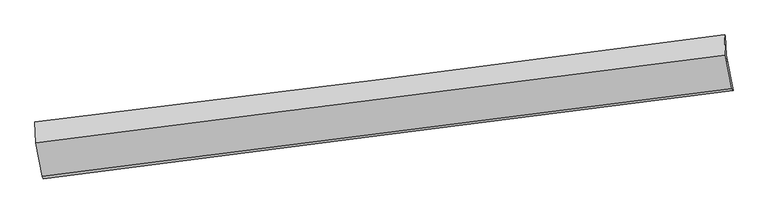
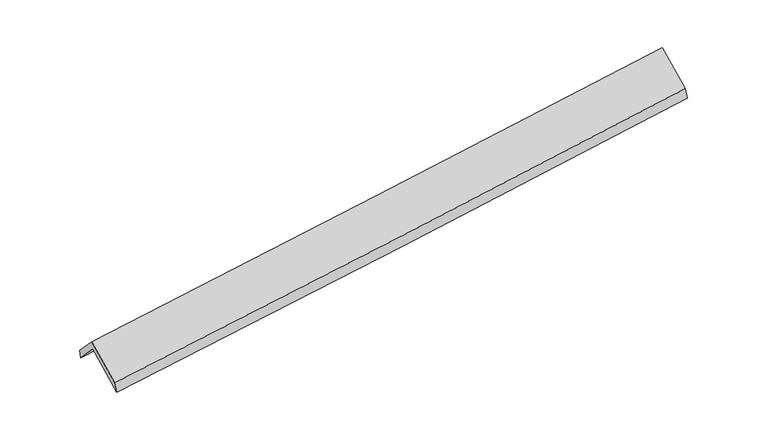
"""IFC4 building model written with IfcOpenShell, lengths in millimetres: proxy geometry."""

import ifcopenshell
import ifcopenshell.guid

model = None  # the IFC model being written
_history = None  # IfcOwnerHistory: only IFC2X3 demands one
_inside = {}  # id of a spatial element -> (the spatial element, [elements in it])
_under = {}  # id of a project, library or spatial element -> (it, [spatial elements below it])
_declared = {}  # id of a project -> (the project, [libraries it declares])
_typed = {}  # id of a type object -> (the type object, [elements of that type])
_made_of = {}  # id of a material, layer set ... -> (it, [elements and type objects made of it])


def new_model(schema):
    """Start an empty IFC model of exactly this schema.

    Asked for "IFC4X3", IfcOpenShell would pick the latest addendum, in which some entities
    have other attributes; the version numbers below select the first issue.
    IFC2X3 requires an IfcOwnerHistory on every rooted entity: one is made here for all.
    """
    global model, _history
    if schema == "IFC4X3":
        model = ifcopenshell.file(schema_version=(4, 3, 0, 0))
    else:
        model = ifcopenshell.file(schema=schema)
    _inside.clear()
    _under.clear()
    _declared.clear()
    _typed.clear()
    _made_of.clear()
    _history = None
    if model.schema == "IFC2X3":
        org = make("IfcOrganization", Name="unknown")
        user = make(
            "IfcPersonAndOrganization",
            ThePerson=make("IfcPerson", FamilyName="unknown"),
            TheOrganization=org,
        )
        app = make(
            "IfcApplication",
            ApplicationDeveloper=org,
            Version="unknown",
            ApplicationFullName="unknown",
            ApplicationIdentifier="unknown",
        )
        _history = make(
            "IfcOwnerHistory",
            OwningUser=user,
            OwningApplication=app,
            ChangeAction="ADDED",
            CreationDate=0,
        )
    return model


def make(cls, **values):
    """One entity of the class cls with the attributes given. An attribute that is None is left unset."""
    return model.create_entity(
        cls, **{name: value for name, value in values.items() if value is not None}
    )


def rooted(cls, **values):
    """An entity with a GlobalId (a new one), such as an element, a storey or a relation."""
    return make(cls, GlobalId=ifcopenshell.guid.new(), OwnerHistory=_history, **values)


def si_unit(unit_type, name, prefix=None):
    """IfcSIUnit, for example si_unit("LENGTHUNIT", "METRE", prefix="MILLI")."""
    return make("IfcSIUnit", UnitType=unit_type, Prefix=prefix, Name=name)


def assignment(units):
    """IfcUnitAssignment: the units of a project."""
    return None if units is None else make("IfcUnitAssignment", Units=units)


def point(xyz):
    """IfcCartesianPoint."""
    return None if xyz is None else make("IfcCartesianPoint", Coordinates=xyz)


def direction(xyz):
    """IfcDirection."""
    return None if xyz is None else make("IfcDirection", DirectionRatios=xyz)


def frame(location, z_axis=None, x_axis=None):
    """IfcAxis2Placement3D, a coordinate frame: its origin and axes. An axis left out is left unset."""
    return make(
        "IfcAxis2Placement3D",
        Location=point(location),
        Axis=direction(z_axis),
        RefDirection=direction(x_axis),
    )


def origin():
    """The frame at (0, 0, 0) with its axes left unset."""
    return frame((0.0, 0.0, 0.0))


def place(relative_to, where):
    """IfcLocalPlacement: puts the frame where relative to a parent placement (None: the world)."""
    return make(
        "IfcLocalPlacement", PlacementRelTo=relative_to, RelativePlacement=where
    )


def context(
    kind, dimensions, precision=None, world=None, true_north=None, identifier=None
):
    """IfcGeometricRepresentationContext, for example the 3D "Model" context."""
    return make(
        "IfcGeometricRepresentationContext",
        ContextIdentifier=identifier,
        ContextType=kind,
        CoordinateSpaceDimension=dimensions,
        Precision=precision,
        WorldCoordinateSystem=world,
        TrueNorth=true_north,
    )


def project(units=None, contexts=None):
    """IfcProject with its units and contexts."""
    return rooted(
        "IfcProject",
        Name="project",
        RepresentationContexts=contexts,
        UnitsInContext=assignment(units),
    )


def spatial(cls, under=None, at=None, **own):
    """A site, building, storey or space (cls), placed at a placement, below another one or the project."""
    s = rooted(cls, ObjectPlacement=at, **own)
    if under is not None:
        _under.setdefault(under.id(), (under, []))[1].append(s)
    return s


def shape(context_of_items, identifier, shape_type, items):
    """IfcShapeRepresentation: the items that make up one representation, for example the "Body"."""
    return make(
        "IfcShapeRepresentation",
        ContextOfItems=context_of_items,
        RepresentationIdentifier=identifier,
        RepresentationType=shape_type,
        Items=items,
    )


def source(mapping_origin, context_of_items, identifier, shape_type, items):
    """IfcRepresentationMap: a shape defined once, which mapped items show again and again."""
    return make(
        "IfcRepresentationMap",
        MappingOrigin=mapping_origin,
        MappedRepresentation=shape(context_of_items, identifier, shape_type, items),
    )


def transform(
    local_origin,
    x_axis=None,
    y_axis=None,
    z_axis=None,
    scale=None,
    scale2=None,
    scale3=None,
    uniform=True,
):
    """IfcCartesianTransformationOperator3D, or its non-uniform kind. x_axis, y_axis, z_axis: its Axis1, 2, 3."""
    if uniform:
        return make(
            "IfcCartesianTransformationOperator3D",
            Axis1=direction(x_axis),
            Axis2=direction(y_axis),
            LocalOrigin=point(local_origin),
            Scale=scale,
            Axis3=direction(z_axis),
        )
    return make(
        "IfcCartesianTransformationOperator3DnonUniform",
        Axis1=direction(x_axis),
        Axis2=direction(y_axis),
        LocalOrigin=point(local_origin),
        Scale=scale,
        Axis3=direction(z_axis),
        Scale2=scale2,
        Scale3=scale3,
    )


def mapped(mapping_source, mapping_target):
    """IfcMappedItem: shows the shape of a source again, moved by a transform."""
    return make(
        "IfcMappedItem", MappingSource=mapping_source, MappingTarget=mapping_target
    )


def made_of(thing, what):
    """Note that an element or type object is made of a material, layer set ...; save() writes the relation."""
    if what is not None:
        _made_of.setdefault(what.id(), (what, []))[1].append(thing)
    return thing


def element(
    cls,
    number,
    at=None,
    inside=None,
    cuts=None,
    type_object=None,
    material=None,
    context=None,
    identifier="Body",
    shape_type=None,
    held_by="IfcProductDefinitionShape",
    body=None,
    shapes=None,
    **own,
):
    """One element of the class cls, such as IfcWall. Its Tag is "e" and its number.

    at: its placement. inside: the storey or other place that contains it. cuts: it is an
    opening in that element (IfcRelVoidsElement). A single representation is given by context,
    identifier, shape_type and body (its items); several are given by shapes. held_by: the class
    of the entity that holds the representations. save() writes the other relations.
    """
    e = rooted(cls, Tag="e%d" % number, ObjectPlacement=at, **own)
    if body is not None:
        shapes = [shape(context, identifier, shape_type, body)]
    if shapes is not None:
        e.Representation = make(held_by, Representations=shapes)
    if inside is not None:
        _inside.setdefault(inside.id(), (inside, []))[1].append(e)
    if cuts is not None:
        rooted(
            "IfcRelVoidsElement", RelatingBuildingElement=cuts, RelatedOpeningElement=e
        )
    if type_object is not None:
        _typed.setdefault(type_object.id(), (type_object, []))[1].append(e)
    return made_of(e, material)


def aggregate(whole, parts):
    """IfcRelAggregates: a whole, such as a stair, and the parts it consists of."""
    return rooted("IfcRelAggregates", RelatingObject=whole, RelatedObjects=parts)


def save(model, path):
    """Write the relations noted so far, then the file.

    IfcRelAggregates (storeys below a building ...), IfcRelContainedInSpatialStructure (elements
    in a storey), IfcRelDefinesByType, IfcRelAssociatesMaterial and IfcRelDeclares: one each for
    every whole, place, type object, material and project.
    """
    for whole, parts in _under.values():
        aggregate(whole, parts)
    for where, things in _inside.values():
        rooted(
            "IfcRelContainedInSpatialStructure",
            RelatedElements=things,
            RelatingStructure=where,
        )
    for kind, things in _typed.values():
        rooted("IfcRelDefinesByType", RelatedObjects=things, RelatingType=kind)
    for what, things in _made_of.values():
        rooted("IfcRelAssociatesMaterial", RelatedObjects=things, RelatingMaterial=what)
    for by, libraries in _declared.values():
        rooted("IfcRelDeclares", RelatingContext=by, RelatedDefinitions=libraries)
    model.write(path)


def plane_surface(at):
    """IfcPlane: the flat surface through the origin of the frame at, square to its z axis."""
    return make("IfcPlane", Position=at)


def spline_curve(degree, points, multiplicities, knots, weights=None):
    """IfcBSplineCurveWithKnots; with weights, IfcRationalBSplineCurveWithKnots."""
    own = dict(
        Degree=degree,
        ControlPointsList=[point(p) for p in points],
        CurveForm="UNSPECIFIED",
        ClosedCurve=False,
        SelfIntersect=False,
        KnotMultiplicities=multiplicities,
        Knots=knots,
        KnotSpec="UNSPECIFIED",
    )
    if weights is None:
        return make("IfcBSplineCurveWithKnots", **own)
    return make("IfcRationalBSplineCurveWithKnots", WeightsData=weights, **own)


def spline_surface(u_degree, v_degree, points, u_multiplicities, v_multiplicities, u_knots, v_knots, weights=None):
    """IfcBSplineSurfaceWithKnots; with weights, IfcRationalBSplineSurfaceWithKnots. points: one row for each step in u."""
    own = dict(
        UDegree=u_degree,
        VDegree=v_degree,
        ControlPointsList=[[point(p) for p in row] for row in points],
        SurfaceForm="UNSPECIFIED",
        UClosed=False,
        VClosed=False,
        SelfIntersect=False,
        UMultiplicities=u_multiplicities,
        VMultiplicities=v_multiplicities,
        UKnots=u_knots,
        VKnots=v_knots,
        KnotSpec="UNSPECIFIED",
    )
    if weights is None:
        return make("IfcBSplineSurfaceWithKnots", **own)
    return make("IfcRationalBSplineSurfaceWithKnots", WeightsData=weights, **own)


def advanced_brep(points, edges, surfaces, faces):
    """IfcAdvancedBrep: a solid bounded by faces that lie on surfaces and meet in shared edges.

    An edge is (start, end): straight between two places in points (the first is 0);
    or (start, end, curve); or (start, end, curve, False) where it runs against its curve.
    A face is (place in surfaces, loops), or (place, loops, False) where it looks against
    its surface's normal. A loop lists edges by number (the first is 1), with a minus sign
    where the edge is run from its end to its start. The first loop is the outer one.
    """
    corners = [point(p) for p in points]
    vertices = [make("IfcVertexPoint", VertexGeometry=c) for c in corners]
    made = []
    for start, end, *more in edges:
        made.append(
            make(
                "IfcEdgeCurve",
                EdgeStart=vertices[start],
                EdgeEnd=vertices[end],
                EdgeGeometry=more[0] if more else make("IfcPolyline", Points=[corners[start], corners[end]]),
                SameSense=more[1] if len(more) > 1 else True,
            )
        )
    hull = []
    for where, loops, *sense in faces:
        bounds = []
        for j, loop in enumerate(loops):
            ring = [make("IfcOrientedEdge", EdgeElement=made[abs(k) - 1], Orientation=k > 0) for k in loop]
            bounds.append(
                make(
                    "IfcFaceOuterBound" if j == 0 else "IfcFaceBound",
                    Bound=make("IfcEdgeLoop", EdgeList=ring),
                    Orientation=True,
                )
            )
        hull.append(make("IfcAdvancedFace", Bounds=bounds, FaceSurface=surfaces[where], SameSense=sense[0] if sense else True))
    return make("IfcAdvancedBrep", Outer=make("IfcClosedShell", CfsFaces=hull))


def generic_models_32fc19ab(model_context):
    return source(origin(), model_context, "Body", "AdvancedBrep", [
        advanced_brep(
        [(-4754.9750759, -2195.6241455, 1791.1208256), (-4766.1355316, -1909.0619117, 1479.0526975), (4686.2654063, -711.3245303, 2227.2705099), (4696.8992099, -984.3641474, 2524.6124209), (-4776.2093239, -1899.9874631, 1593.3627069), (4676.191614, -702.2500818, 2341.5805194), (-4764.9111077, -2190.086915, 1909.2828884), (4686.9631781, -978.8269168, 2642.7744836), (-4674.9055941, -2647.8892314, 1485.6787293), (4776.9686918, -1436.6292333, 2219.1703245), (-4659.9433836, -2678.9915206, 1343.861336), (4791.9309022, -1467.7315225, 2077.3529312)],
        [
            (0, 1),
            (1, 2, spline_curve(3, [(-4766.1355316, -1909.0619117, 1479.0526975), (-3190.55267826, -1717.384015534, 1600.976265471), (-1615.559912605, -1521.799339512, 1724.249170527), (1535.24189727, -1122.563460398, 1973.651683499), (3111.049444519, -918.902341984, 2099.784716001), (4686.2654063, -711.3245303, 2227.2705099)], [4, 2, 4], [0.0, 15.668167045077741, 31.356202435292495])),
            (2, 3),
            (3, 0, spline_curve(3, [(4696.8992099, -984.3641474, 2524.6124209), (3121.419643629, -1185.173505251, 2389.755736921), (1545.524321588, -1386.580853887, 2261.168334505), (-1605.101493239, -1790.335700054, 2016.687006092), (-3179.830932804, -1992.681684354, 1900.777209525), (-4754.9750759, -2195.6241455, 1791.1208256)], [4, 2, 4], [0.0, 15.688035390214754, 31.356202435292495])),
            (1, 4),
            (4, 5, spline_curve(3, [(-4776.2093239, -1899.9874631, 1593.3627069), (-3200.626470819, -1708.30956682, 1715.286275221), (-1625.633705127, -1512.724891186, 1838.559179853), (1525.168104992, -1113.489011524, 2087.961692973), (3100.975652236, -909.827893379, 2214.094725709), (4676.191614, -702.2500818, 2341.5805194)], [4, 2, 4], [0.0, 15.668141183289215, 31.356150678920862])),
            (5, 2),
            (4, 6),
            (6, 7, spline_curve(3, [(-4764.9111077, -2190.086915, 1909.2828884), (-3189.766964604, -1987.144453854, 2018.939272325), (-1615.037524939, -1784.798469454, 2134.849068792), (1535.588289888, -1381.043623287, 2379.330397205), (3111.483611829, -1179.636274651, 2507.917799621), (4686.9631781, -978.8269168, 2642.7744836)], [4, 2, 4], [0.0, 15.668167045077734, 31.35620243529248])),
            (7, 5),
            (6, 8),
            (8, 9, spline_curve(3, [(-4674.9055941, -2647.8892314, 1485.6787293), (-3099.761451027, -2444.946770134, 1595.335112998), (-1525.032011023, -2242.600785939, 1711.244909713), (1625.593803171, -1838.845939602, 1955.726238084), (3201.489125624, -1637.43859119, 2084.313640209), (4776.9686918, -1436.6292333, 2219.1703245)], [4, 2, 4], [0.0, 15.668290964806078, 31.356450431888156])),
            (9, 7),
            (8, 10),
            (10, 11, spline_curve(3, [(-4659.9433836, -2678.9915206, 1343.861336), (-3084.799240527, -2476.049059334, 1453.517719698), (-1510.069800623, -2273.703075139, 1569.427516413), (1640.556013571, -1869.948228802, 1813.908844784), (3216.451336024, -1668.54088039, 1942.496246909), (4791.9309022, -1467.7315225, 2077.3529312)], [4, 2, 4], [0.0, 15.668290964806081, 31.356450431888163])),
            (11, 9),
            (10, 0),
            (3, 11),
        ],
        [
            spline_surface(3, 3, [[(-4754.9750759, -2195.6241455, 1791.1208256), (-3179.83093257, -1992.681684192, 1900.777209539), (-1605.101493006, -1790.335700183, 2016.687005889), (1545.524321355, -1386.580853758, 2261.168334708), (3121.419643698, -1185.173505098, 2389.75573683), (4696.8992099, -984.3641474, 2524.6124209)], [(-4758.69522778, -2100.103400889, 1687.098116209), (-3183.40484783, -1900.915794554, 1800.843561527), (-1608.587632939, -1700.823580007, 1919.207727413), (1542.096846668, -1298.575055934, 2165.329451029), (3117.962910568, -1096.416450787, 2293.098729972), (4693.354608676, -893.350941711, 2425.498450581)], [(-4762.41537972, -2004.582656311, 1583.075406891), (-3186.97876315, -1809.149904949, 1700.909913589), (-1612.073772784, -1611.311459815, 1821.728448885), (1538.669372068, -1210.569258096, 2069.490567297), (3114.50617751, -1007.659396444, 2196.44172307), (4689.810007524, -802.337735989, 2326.384480219)], [(-4766.1355316, -1909.0619117, 1479.0526975), (-3190.552678411, -1717.384015312, 1600.976265576), (-1615.559912716, -1521.799339639, 1724.249170409), (1535.241897381, -1122.563460272, 1973.651683617), (3111.049444381, -918.902342134, 2099.784716211), (4686.2654063, -711.3245303, 2227.2705099)]], [4, 4], [4, 2, 4], [0.0, 1.2920612037536126], [0.0, 15.668167045077741, 31.356202435292495]),
            spline_surface(3, 3, [[(-4766.1355316, -1909.0619117, 1479.0526975), (-3190.552678411, -1717.384015312, 1600.976265576), (-1615.559912716, -1521.799339639, 1724.249170409), (1535.241897381, -1122.563460272, 1973.651683617), (3111.049444381, -918.902342134, 2099.784716211), (4686.2654063, -711.3245303, 2227.2705099)], [(-4769.493462368, -1906.037095508, 1517.156033975), (-3193.910609179, -1714.35919912, 1639.079602052), (-1618.917843484, -1518.774523447, 1762.352506884), (1531.883966613, -1119.53864408, 2011.755020092), (3107.691513613, -915.877525942, 2137.888052686), (4682.907475532, -708.299714108, 2265.373846375)], [(-4772.851393132, -1903.012279292, 1555.259370425), (-3197.268539943, -1711.334382904, 1677.182938501), (-1622.275774348, -1515.74970723, 1800.455843334), (1528.526035749, -1116.513827864, 2049.858356541), (3104.333582849, -912.852709826, 2175.991389236), (4679.549544768, -705.274897992, 2303.477182925)], [(-4776.2093239, -1899.9874631, 1593.3627069), (-3200.626470711, -1708.309566712, 1715.286274976), (-1625.633705116, -1512.724891039, 1838.559179809), (1525.168104981, -1113.489011672, 2087.961693017), (3100.975652081, -909.827893634, 2214.094725711), (4676.191614, -702.2500818, 2341.5805194)]], [4, 4], [4, 2, 4], [0.0, 0.3776616567033332], [0.0, 15.668141183289215, 31.356150678920862]),
            spline_surface(3, 3, [[(-4776.2093239, -1899.9874631, 1593.3627069), (-3200.626470711, -1708.309566712, 1715.286274976), (-1625.633705116, -1512.724891039, 1838.559179809), (1525.168104981, -1113.489011672, 2087.961693017), (3100.975652081, -909.827893634, 2214.094725711), (4676.191614, -702.2500818, 2341.5805194)], [(-4772.443251844, -1996.687280373, 1698.669434055), (-3197.006635275, -1801.254529011, 1816.503940752), (-1622.101645008, -1603.416083877, 1937.322476049), (1528.641499844, -1202.673882158, 2185.08459446), (3104.478305386, -999.764020606, 2312.035750333), (4679.7821354, -794.442360151, 2441.978507482)], [(-4768.677179756, -2093.387097727, 1803.976161245), (-3193.386799806, -1894.199491393, 1917.721606563), (-1618.569584814, -1694.107276745, 2036.08577235), (1532.114894792, -1291.858752672, 2282.207495965), (3107.980958593, -1089.700147525, 2409.976774908), (4683.3726567, -886.634638449, 2542.376495518)], [(-4764.9111077, -2190.086915, 1909.2828884), (-3189.76696437, -1987.144453692, 2018.939272339), (-1615.037524706, -1784.798469583, 2134.849068589), (1535.588289655, -1381.043623158, 2379.330397408), (3111.483611898, -1179.636274498, 2507.91779953), (4686.9631781, -978.8269168, 2642.7744836)]], [4, 4], [4, 2, 4], [0.0, 1.3092251093588692], [0.0, 15.668167045077734, 31.35620243529248]),
            spline_surface(3, 3, [[(-4764.9111077, -2190.086915, 1909.2828884), (-3189.76696437, -1987.144453692, 2018.939272339), (-1615.037524706, -1784.798469583, 2134.849068589), (1535.588289655, -1381.043623158, 2379.330397408), (3111.483611898, -1179.636274498, 2507.91779953), (4686.9631781, -978.8269168, 2642.7744836)], [(-4734.909269827, -2342.687687155, 1768.08150205), (-3159.765126497, -2139.745225847, 1877.737885989), (-1585.035686833, -1937.399241738, 1993.647682239), (1565.590127527, -1533.644395312, 2238.129011058), (3141.485449771, -1332.237046652, 2366.71641318), (4716.965015973, -1131.427688955, 2501.57309725)], [(-4704.907431973, -2495.288459245, 1626.88011565), (-3129.763288642, -2292.345997937, 1736.536499589), (-1555.033848979, -2090.000013829, 1852.446295839), (1595.591965382, -1686.245167403, 2096.927624659), (3171.487287725, -1484.837818843, 2225.515026781), (4746.966853927, -1284.028461145, 2360.37171085)], [(-4674.9055941, -2647.8892314, 1485.6787293), (-3099.76145077, -2444.946770092, 1595.335113239), (-1525.032011106, -2242.600785983, 1711.244909489), (1625.593803255, -1838.845939558, 1955.726238308), (3201.489125598, -1637.438590998, 2084.31364043), (4776.9686918, -1436.6292333, 2219.1703245)]], [4, 4], [4, 2, 4], [0.0, 2.067513449586364], [0.0, 15.668290964806078, 31.356450431888156]),
            spline_surface(3, 3, [[(-4674.9055941, -2647.8892314, 1485.6787293), (-3099.76145077, -2444.946770092, 1595.335113239), (-1525.032011106, -2242.600785983, 1711.244909489), (1625.593803255, -1838.845939558, 1955.726238308), (3201.489125598, -1637.438590998, 2084.31364043), (4776.9686918, -1436.6292333, 2219.1703245)], [(-4669.918190624, -2658.256661129, 1438.40626486), (-3094.774047293, -2455.314199821, 1548.062648798), (-1520.04460763, -2252.968215712, 1663.972445049), (1630.581206731, -1849.213369287, 1908.453773868), (3206.476529074, -1647.806020727, 2037.04117599), (4781.956095276, -1446.996663029, 2171.89786006)], [(-4664.930787076, -2668.624090871, 1391.13380044), (-3089.786643746, -2465.681629563, 1500.790184379), (-1515.057204182, -2263.335645454, 1616.69998063), (1635.568610179, -1859.580799029, 1861.181309449), (3211.463932522, -1658.173450469, 1989.768711571), (4786.943498724, -1457.364092771, 2124.62539564)], [(-4659.9433836, -2678.9915206, 1343.861336), (-3084.79924027, -2476.049059292, 1453.517719939), (-1510.069800706, -2273.703075183, 1569.427516189), (1640.556013655, -1869.948228758, 1813.908845008), (3216.451335998, -1668.540880198, 1942.49624713), (4791.9309022, -1467.7315225, 2077.3529312)]], [4, 4], [4, 2, 4], [0.0, 0.4788609566283538], [0.0, 15.668290964806081, 31.356450431888163]),
            spline_surface(3, 3, [[(-4659.9433836, -2678.9915206, 1343.861336), (-3084.79924027, -2476.049059292, 1453.517719939), (-1510.069800706, -2273.703075183, 1569.427516189), (1640.556013655, -1869.948228758, 1813.908845008), (3216.451335998, -1668.540880198, 1942.49624713), (4791.9309022, -1467.7315225, 2077.3529312)], [(-4691.620614357, -2517.869062246, 1492.947832552), (-3116.476471026, -2314.926600938, 1602.604216491), (-1541.747031463, -2112.58061683, 1718.514012741), (1608.878782898, -1708.825770404, 1962.99534156), (3184.774105241, -1507.418421844, 2091.582743682), (4760.253671443, -1306.609064146, 2226.439427752)], [(-4723.297845143, -2356.746603854, 1642.034329048), (-3148.153701813, -2153.804142545, 1751.690712987), (-1573.42426225, -1951.458158537, 1867.600509337), (1577.201552111, -1547.703312111, 2112.081838157), (3153.096874455, -1346.295963451, 2240.669240278), (4728.576440657, -1145.486605754, 2375.525924348)], [(-4754.9750759, -2195.6241455, 1791.1208256), (-3179.83093257, -1992.681684192, 1900.777209539), (-1605.101493006, -1790.335700183, 2016.687005889), (1545.524321355, -1386.580853758, 2261.168334708), (3121.419643698, -1185.173505098, 2389.75573683), (4696.8992099, -984.3641474, 2524.6124209)]], [4, 4], [4, 2, 4], [0.0, 2.1829696204865], [0.0, 15.668290964806081, 31.356450431888163]),
            plane_surface(frame((4719.203167, -1046.8544053, 2338.7935316), z_axis=(0.9893975265823453, 0.12286468777186435, 0.07743902692738229), x_axis=(0.10251121168196861, -0.21309240141085783, -0.9716393775163955))),
            plane_surface(frame((-4732.8466695, -2253.6068646, 1600.3931973), z_axis=(-0.9893975265823438, -0.12286468777188449, -0.07743902692736804), x_axis=(0.14282551821343278, -0.7264649737512675, -0.6721975254786606))),
        ],
        [
            (0, [[1, 2, 3, 4]]),
            (1, [[5, 6, 7, -2]]),
            (2, [[8, 9, 10, -6]]),
            (3, [[11, 12, 13, -9]]),
            (4, [[14, 15, 16, -12]]),
            (5, [[17, -4, 18, -15]]),
            (6, [[-16, -18, -3, -7, -10, -13]]),
            (7, [[-17, -14, -11, -8, -5, -1]]),
        ],
    ),
    ])


if __name__ == "__main__":
    model = new_model("IFC4")
    model_context = context("Model", 3, world=origin())
    ifc_project = project(units=[si_unit("LENGTHUNIT", "METRE", prefix="MILLI")], contexts=[model_context])
    site = spatial("IfcSite", under=ifc_project)
    building = spatial("IfcBuilding", under=site)
    placement = place(None, origin())
    generic_models_shape = generic_models_32fc19ab(model_context)
    element("IfcBuildingElementProxy", 1, Name="Generic Models", at=placement, inside=building, context=model_context, shape_type="MappedRepresentation", body=[
        mapped(generic_models_shape, transform((0.0, 0.0, 0.0), x_axis=(1.0, 0.0, 0.0), y_axis=(0.0, 1.0, 0.0), z_axis=(0.0, 0.0, 1.0))),
    ])
    save(model, "model.ifc")
